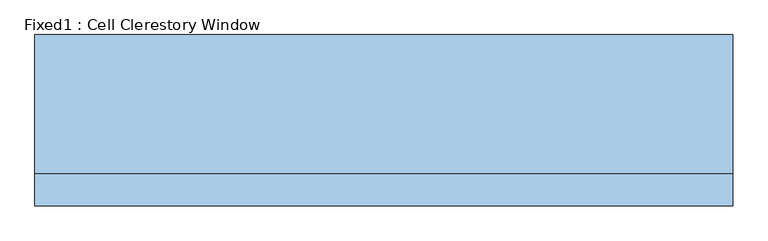
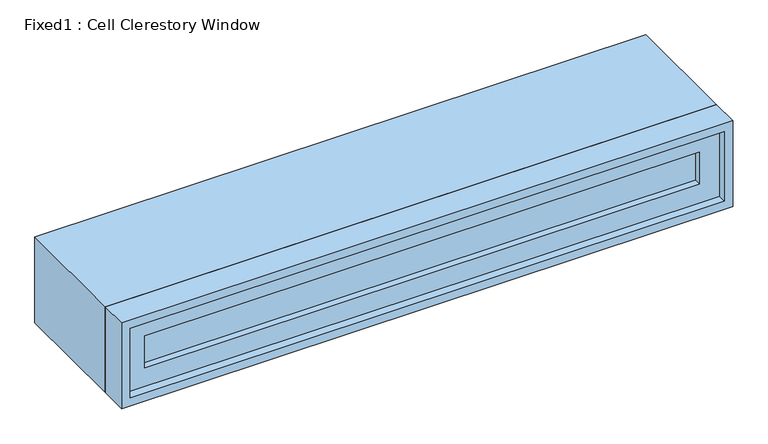
"""IFC4 building model written with IfcOpenShell, lengths in millimetres: window geometry, Fixed1 : Cell Clerestory Window."""

import ifcopenshell
import ifcopenshell.guid

model = None  # the IFC model being written
_history = None  # IfcOwnerHistory: only IFC2X3 demands one
_inside = {}  # id of a spatial element -> (the spatial element, [elements in it])
_under = {}  # id of a project, library or spatial element -> (it, [spatial elements below it])
_declared = {}  # id of a project -> (the project, [libraries it declares])
_typed = {}  # id of a type object -> (the type object, [elements of that type])
_made_of = {}  # id of a material, layer set ... -> (it, [elements and type objects made of it])


def new_model(schema):
    """Start an empty IFC model of exactly this schema.

    Asked for "IFC4X3", IfcOpenShell would pick the latest addendum, in which some entities
    have other attributes; the version numbers below select the first issue.
    IFC2X3 requires an IfcOwnerHistory on every rooted entity: one is made here for all.
    """
    global model, _history
    if schema == "IFC4X3":
        model = ifcopenshell.file(schema_version=(4, 3, 0, 0))
    else:
        model = ifcopenshell.file(schema=schema)
    _inside.clear()
    _under.clear()
    _declared.clear()
    _typed.clear()
    _made_of.clear()
    _history = None
    if model.schema == "IFC2X3":
        org = make("IfcOrganization", Name="unknown")
        user = make(
            "IfcPersonAndOrganization",
            ThePerson=make("IfcPerson", FamilyName="unknown"),
            TheOrganization=org,
        )
        app = make(
            "IfcApplication",
            ApplicationDeveloper=org,
            Version="unknown",
            ApplicationFullName="unknown",
            ApplicationIdentifier="unknown",
        )
        _history = make(
            "IfcOwnerHistory",
            OwningUser=user,
            OwningApplication=app,
            ChangeAction="ADDED",
            CreationDate=0,
        )
    return model


def make(cls, **values):
    """One entity of the class cls with the attributes given. An attribute that is None is left unset."""
    return model.create_entity(
        cls, **{name: value for name, value in values.items() if value is not None}
    )


def rooted(cls, **values):
    """An entity with a GlobalId (a new one), such as an element, a storey or a relation."""
    return make(cls, GlobalId=ifcopenshell.guid.new(), OwnerHistory=_history, **values)


def si_unit(unit_type, name, prefix=None):
    """IfcSIUnit, for example si_unit("LENGTHUNIT", "METRE", prefix="MILLI")."""
    return make("IfcSIUnit", UnitType=unit_type, Prefix=prefix, Name=name)


def assignment(units):
    """IfcUnitAssignment: the units of a project."""
    return None if units is None else make("IfcUnitAssignment", Units=units)


def point(xyz):
    """IfcCartesianPoint."""
    return None if xyz is None else make("IfcCartesianPoint", Coordinates=xyz)


def direction(xyz):
    """IfcDirection."""
    return None if xyz is None else make("IfcDirection", DirectionRatios=xyz)


def frame(location, z_axis=None, x_axis=None):
    """IfcAxis2Placement3D, a coordinate frame: its origin and axes. An axis left out is left unset."""
    return make(
        "IfcAxis2Placement3D",
        Location=point(location),
        Axis=direction(z_axis),
        RefDirection=direction(x_axis),
    )


def origin():
    """The frame at (0, 0, 0) with its axes left unset."""
    return frame((0.0, 0.0, 0.0))


def place(relative_to, where):
    """IfcLocalPlacement: puts the frame where relative to a parent placement (None: the world)."""
    return make(
        "IfcLocalPlacement", PlacementRelTo=relative_to, RelativePlacement=where
    )


def context(
    kind, dimensions, precision=None, world=None, true_north=None, identifier=None
):
    """IfcGeometricRepresentationContext, for example the 3D "Model" context."""
    return make(
        "IfcGeometricRepresentationContext",
        ContextIdentifier=identifier,
        ContextType=kind,
        CoordinateSpaceDimension=dimensions,
        Precision=precision,
        WorldCoordinateSystem=world,
        TrueNorth=true_north,
    )


def project(units=None, contexts=None):
    """IfcProject with its units and contexts."""
    return rooted(
        "IfcProject",
        Name="project",
        RepresentationContexts=contexts,
        UnitsInContext=assignment(units),
    )


def spatial(cls, under=None, at=None, **own):
    """A site, building, storey or space (cls), placed at a placement, below another one or the project."""
    s = rooted(cls, ObjectPlacement=at, **own)
    if under is not None:
        _under.setdefault(under.id(), (under, []))[1].append(s)
    return s


def polyline(points):
    """IfcPolyline through the points."""
    return make("IfcPolyline", Points=[point(p) for p in points])


def outline(outer, holes=None, kind="AREA"):
    """IfcArbitraryClosedProfileDef: a profile drawn as a closed curve; with holes, ...WithVoids."""
    if holes is None:
        return make("IfcArbitraryClosedProfileDef", ProfileType=kind, OuterCurve=outer)
    return make(
        "IfcArbitraryProfileDefWithVoids",
        ProfileType=kind,
        OuterCurve=outer,
        InnerCurves=holes,
    )


def extrude(swept, where, along, depth):
    """IfcExtrudedAreaSolid: the profile swept, set in the frame where, extruded along a direction by depth."""
    return make(
        "IfcExtrudedAreaSolid",
        SweptArea=swept,
        Position=where,
        ExtrudedDirection=direction(along),
        Depth=depth,
    )


def shape(context_of_items, identifier, shape_type, items):
    """IfcShapeRepresentation: the items that make up one representation, for example the "Body"."""
    return make(
        "IfcShapeRepresentation",
        ContextOfItems=context_of_items,
        RepresentationIdentifier=identifier,
        RepresentationType=shape_type,
        Items=items,
    )


def source(mapping_origin, context_of_items, identifier, shape_type, items):
    """IfcRepresentationMap: a shape defined once, which mapped items show again and again."""
    return make(
        "IfcRepresentationMap",
        MappingOrigin=mapping_origin,
        MappedRepresentation=shape(context_of_items, identifier, shape_type, items),
    )


def transform(
    local_origin,
    x_axis=None,
    y_axis=None,
    z_axis=None,
    scale=None,
    scale2=None,
    scale3=None,
    uniform=True,
):
    """IfcCartesianTransformationOperator3D, or its non-uniform kind. x_axis, y_axis, z_axis: its Axis1, 2, 3."""
    if uniform:
        return make(
            "IfcCartesianTransformationOperator3D",
            Axis1=direction(x_axis),
            Axis2=direction(y_axis),
            LocalOrigin=point(local_origin),
            Scale=scale,
            Axis3=direction(z_axis),
        )
    return make(
        "IfcCartesianTransformationOperator3DnonUniform",
        Axis1=direction(x_axis),
        Axis2=direction(y_axis),
        LocalOrigin=point(local_origin),
        Scale=scale,
        Axis3=direction(z_axis),
        Scale2=scale2,
        Scale3=scale3,
    )


def mapped(mapping_source, mapping_target):
    """IfcMappedItem: shows the shape of a source again, moved by a transform."""
    return make(
        "IfcMappedItem", MappingSource=mapping_source, MappingTarget=mapping_target
    )


def made_of(thing, what):
    """Note that an element or type object is made of a material, layer set ...; save() writes the relation."""
    if what is not None:
        _made_of.setdefault(what.id(), (what, []))[1].append(thing)
    return thing


def element(
    cls,
    number,
    at=None,
    inside=None,
    cuts=None,
    type_object=None,
    material=None,
    context=None,
    identifier="Body",
    shape_type=None,
    held_by="IfcProductDefinitionShape",
    body=None,
    shapes=None,
    **own,
):
    """One element of the class cls, such as IfcWall. Its Tag is "e" and its number.

    at: its placement. inside: the storey or other place that contains it. cuts: it is an
    opening in that element (IfcRelVoidsElement). A single representation is given by context,
    identifier, shape_type and body (its items); several are given by shapes. held_by: the class
    of the entity that holds the representations. save() writes the other relations.
    """
    e = rooted(cls, Tag="e%d" % number, ObjectPlacement=at, **own)
    if body is not None:
        shapes = [shape(context, identifier, shape_type, body)]
    if shapes is not None:
        e.Representation = make(held_by, Representations=shapes)
    if inside is not None:
        _inside.setdefault(inside.id(), (inside, []))[1].append(e)
    if cuts is not None:
        rooted(
            "IfcRelVoidsElement", RelatingBuildingElement=cuts, RelatedOpeningElement=e
        )
    if type_object is not None:
        _typed.setdefault(type_object.id(), (type_object, []))[1].append(e)
    return made_of(e, material)


def aggregate(whole, parts):
    """IfcRelAggregates: a whole, such as a stair, and the parts it consists of."""
    return rooted("IfcRelAggregates", RelatingObject=whole, RelatedObjects=parts)


def save(model, path):
    """Write the relations noted so far, then the file.

    IfcRelAggregates (storeys below a building ...), IfcRelContainedInSpatialStructure (elements
    in a storey), IfcRelDefinesByType, IfcRelAssociatesMaterial and IfcRelDeclares: one each for
    every whole, place, type object, material and project.
    """
    for whole, parts in _under.values():
        aggregate(whole, parts)
    for where, things in _inside.values():
        rooted(
            "IfcRelContainedInSpatialStructure",
            RelatedElements=things,
            RelatingStructure=where,
        )
    for kind, things in _typed.values():
        rooted("IfcRelDefinesByType", RelatedObjects=things, RelatingType=kind)
    for what, things in _made_of.values():
        rooted("IfcRelAssociatesMaterial", RelatedObjects=things, RelatingMaterial=what)
    for by, libraries in _declared.values():
        rooted("IfcRelDeclares", RelatingContext=by, RelatedDefinitions=libraries)
    model.write(path)


def fixed1_cell_clerestory_window_5aa895eb(model_context):
    return source(origin(), model_context, "Body", "SweptSolid", [
        extrude(outline(polyline([(584.2, -120.65), (584.2, -133.35), (-660.4, -133.35), (-660.4, -120.65), (584.2, -120.65)])), frame((0.0, 0.0, 2197.1), z_axis=(0.0, 0.0, 1.0), x_axis=(1.0, 0.0, 0.0)), (0.0, 0.0, 1.0), 76.2),
        extrude(outline(polyline([(2317.75, -704.85), (2152.65, -704.85), (2152.65, 628.65), (2317.75, 628.65), (2317.75, -704.85)]), holes=[polyline([(2273.3, -660.4), (2273.3, 584.2), (2197.1, 584.2), (2197.1, -660.4), (2273.3, -660.4)])]), frame((0.0, -149.225, 0.0), z_axis=(0.0, 1.0, 0.0), x_axis=(0.0, 0.0, 1.0)), (0.0, 0.0, 1.0), 44.45),
        extrude(outline(polyline([(2336.8, -723.9), (2133.6, -723.9), (2133.6, 647.7), (2336.8, 647.7), (2336.8, -723.9)]), holes=[polyline([(2305.05, -692.15), (2305.05, 615.95), (2165.35, 615.95), (2165.35, -692.15), (2305.05, -692.15)])]), frame((0.0, -104.775, 0.0), z_axis=(0.0, 1.0, 0.0), x_axis=(0.0, 0.0, 1.0)), (0.0, 0.0, 1.0), 273.05),
        extrude(outline(polyline([(2336.8, 647.7), (2336.8, -723.9), (2133.6, -723.9), (2133.6, 647.7), (2336.8, 647.7)]), holes=[polyline([(2317.75, 628.65), (2152.65, 628.65), (2152.65, -704.85), (2317.75, -704.85), (2317.75, 628.65)])]), frame((0.0, -168.275, 0.0), z_axis=(0.0, 1.0, 0.0), x_axis=(0.0, 0.0, 1.0)), (0.0, 0.0, 1.0), 63.5),
    ])


if __name__ == "__main__":
    model = new_model("IFC4")
    model_context = context("Model", 3, world=origin())
    ifc_project = project(units=[si_unit("LENGTHUNIT", "METRE", prefix="MILLI")], contexts=[model_context])
    site = spatial("IfcSite", under=ifc_project)
    building = spatial("IfcBuilding", under=site)
    placement = place(None, origin())
    fixed1_cell_clerestory_window_shape = fixed1_cell_clerestory_window_5aa895eb(model_context)
    element("IfcWindow", 1, ObjectType="Fixed1 : Cell Clerestory Window", at=placement, inside=building, context=model_context, shape_type="MappedRepresentation", body=[
        mapped(fixed1_cell_clerestory_window_shape, transform((0.0, 0.0, 0.0), x_axis=(1.0, 0.0, 0.0), y_axis=(0.0, 1.0, 0.0), z_axis=(0.0, 0.0, 1.0))),
    ])
    save(model, "model.ifc")
